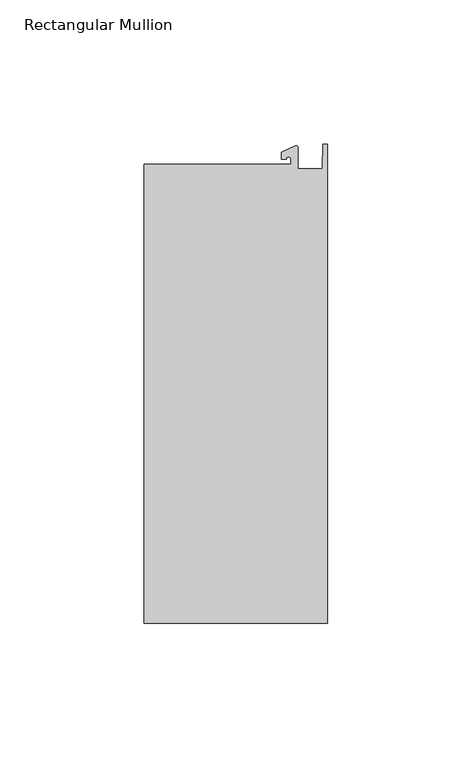
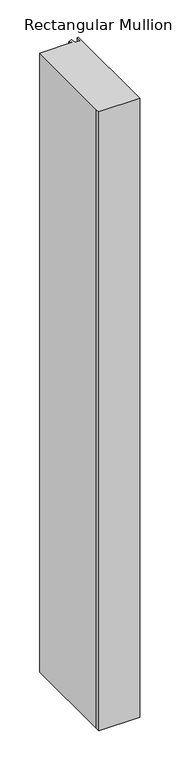
"""IFC4 building model written with IfcOpenShell, lengths in millimetres: member geometry, Rectangular Mullion."""

from ifc_helpers import new_model, si_unit, point, frame, frame_2d, origin, place, context, project, spatial, polyline, circle_curve, trimmed, segment, composite_curve, outline, extrude, source, transform, mapped, element, save


def rectangular_mullion_a6036957(model_context):
    return source(origin(), model_context, "Body", "SweptSolid", [
        extrude(outline(composite_curve([segment(polyline([(-12.6979967, 25.4849312), (-12.6979967, 27.2067741)]), True, "CONTINUOUS"), segment(trimmed(circle_curve(frame_2d((-13.4917467, 27.2067741)), 0.79375), [point((-12.6979967, 27.2067741))], [point((-14.2854967, 27.2067741))], True, "CARTESIAN"), True, "CONTINUOUS"), segment(polyline([(-14.2854967, 27.2067741), (-15.8729967, 27.2067741), (-15.8729967, 29.5689734), (-11.0330867, 31.8258605)]), True, "CONTINUOUS"), segment(trimmed(circle_curve(frame_2d((-10.8183967, 31.3654561)), 0.508), [point((-11.0330867, 31.8258605))], [point((-10.3103967, 31.3654561))], False, "CARTESIAN"), True, "CONTINUOUS"), segment(polyline([(-10.3103967, 31.3654561), (-10.3103967, 23.9227662), (-1.7144124, 23.9227662), (-1.5658966, 32.288874), (0.0, 32.288874), (0.0, -133.4428688), (-63.5, -133.4428688), (-63.5, -125.6958688), (-63.5, 25.4849312), (-12.6979967, 25.4849312)]), True, "CONTINUOUS")], self_intersect=False)), frame((0.0, 0.0, -1016.0), z_axis=(0.0, 0.0, 1.0), x_axis=(1.0, 0.0, 0.0)), (0.0, 0.0, 1.0), 1016.0),
    ])


if __name__ == "__main__":
    model = new_model("IFC4")
    model_context = context("Model", 3, world=origin())
    ifc_project = project(units=[si_unit("LENGTHUNIT", "METRE", prefix="MILLI")], contexts=[model_context])
    site = spatial("IfcSite", under=ifc_project)
    building = spatial("IfcBuilding", under=site)
    placement = place(None, origin())
    rectangular_mullion_shape = rectangular_mullion_a6036957(model_context)
    element("IfcMember", 1, ObjectType="Rectangular Mullion", at=placement, inside=building, context=model_context, shape_type="MappedRepresentation", body=[
        mapped(rectangular_mullion_shape, transform((0.0, 0.0, 0.0), x_axis=(1.0, 0.0, 0.0), y_axis=(0.0, 1.0, 0.0), z_axis=(0.0, 0.0, 1.0))),
    ])
    save(model, "model.ifc")
